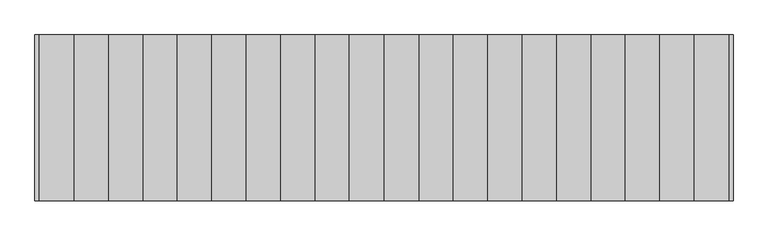
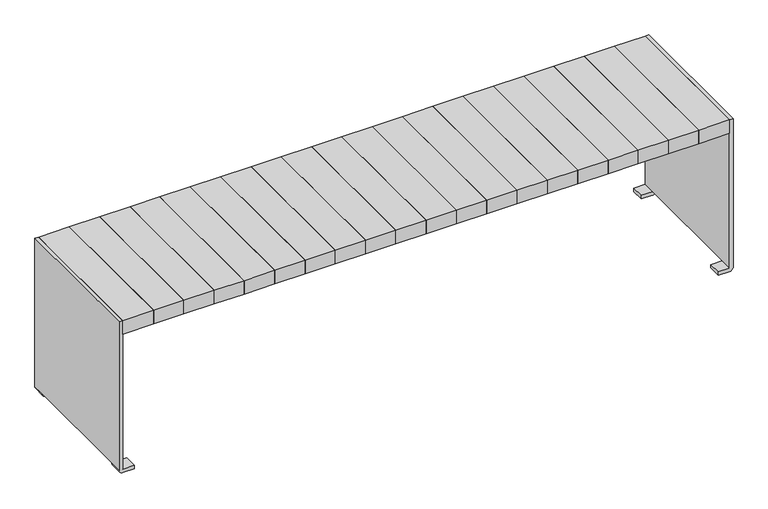
"""IFC4 building model written with IfcOpenShell, lengths in millimetres: furniture geometry."""

from ifc_helpers import new_model, si_unit, frame, origin, place, context, project, spatial, polyline, circle_curve, outline, extrude, source, transform, mapped, element, save
from ifc_brep_helpers import plane_surface, cylinder_surface, revolved_surface, advanced_brep


def furniture_10ba98e9(model_context):
    return source(origin(), model_context, "Body", "SolidModel", [
        advanced_brep(
        [(-438.9493478, 55.5135142, 364.1867082), (-438.9493478, 60.5135142, 364.1867082), (-473.9493478, 60.513034, 364.1867082), (-473.9493478, 55.5135142, 364.1867082), (438.9493478, 55.5135142, 364.1867082), (438.9493478, 60.5135142, 364.1867082), (473.9493478, 60.513034, 364.1867082), (473.9493478, 55.5135142, 364.1867082), (826.379425, 60.513034, 394.6382749), (826.379425, 61.513034, 395.6382749), (826.379425, 62.4997599, 395.6382749), (826.379425, 62.4997599, 400.6382749), (826.379425, 61.513034, 400.6382749), (826.379425, 55.513034, 394.6382749), (826.379425, 55.513034, 393.1147491), (826.379425, 60.513034, 393.1147491), (-826.379425, 55.513034, 394.6382749), (-826.379425, 61.513034, 400.6382749), (-826.379425, 62.4997599, 400.6382749), (-826.379425, 62.4997599, 395.6382749), (-826.379425, 61.513034, 395.6382749), (-826.379425, 60.513034, 394.6382749), (-826.379425, 60.513034, 393.1147491), (-826.379425, 55.513034, 393.1147491), (826.379425, 55.513034, 340.151549), (-826.379425, 55.513034, 340.151549), (-826.379425, 60.513034, 340.151549), (826.379425, 60.513034, 340.151549), (831.379425, 62.4997599, 400.6382749), (831.379425, 99.9997599, 400.6382749), (-831.379425, 99.9997599, 400.6382749), (-831.379425, 62.4997599, 400.6382749), (-826.379425, 99.9997599, 395.6382749), (826.379425, 99.9997599, 395.6382749), (-826.379425, 62.4997599, 393.1147491), (-826.379425, -55.513034, 393.1147491), (-826.379425, -55.513034, 340.151549), (-826.379425, -60.513034, 340.151549), (-826.379425, -60.513034, 393.1147491), (-826.379425, -62.4997599, 393.1147491), (-826.379425, -62.4997599, 395.6382749), (-826.379425, -99.9997599, 395.6382749), (-826.379425, -99.9997599, 347.7588499), (-826.379425, 100.0002401, 347.7588499), (-831.379425, 100.0002401, 347.7588499), (-831.379425, -99.9997599, 347.7588499), (-831.379425, -99.9997599, 400.6382749), (-831.379425, -62.4997599, 400.6382749), (-831.379425, -62.4997599, 393.1147491), (-831.379425, 62.4997599, 393.1147491), (831.379425, 100.0002401, 347.7588499), (826.379425, 100.0002401, 347.7588499), (826.379425, -99.9997599, 395.6382749), (826.379425, -99.9997599, 347.7588499), (831.379425, -99.9997599, 347.7588499), (831.379425, -99.9997599, 400.6382749), (-826.379425, -62.4997599, 400.6382749), (831.379425, -62.4997599, 400.6382749), (831.379425, -62.4997599, 393.1147491), (826.379425, -62.4997599, 393.1147491), (826.379425, -62.4997599, 395.6382749), (826.379425, -62.4997599, 400.6382749), (826.379425, -61.513034, 400.6382749), (-826.379425, -61.513034, 400.6382749), (-826.379425, -61.513034, 395.6382749), (826.379425, -61.513034, 395.6382749), (826.379425, -60.513034, 393.1147491), (826.379425, -60.513034, 340.151549), (826.379425, -55.513034, 340.151549), (826.379425, -55.513034, 393.1147491), (826.379425, 62.4997599, 393.1147491), (831.379425, 62.4997599, 393.1147491), (826.379425, -55.513034, 394.6382749), (826.379425, -60.513034, 394.6382749), (-826.379425, -60.513034, 394.6382749), (-826.379425, -55.513034, 394.6382749)],
        [
            (0, 1),
            (1, 2, circle_curve(frame((-456.4493478, 60.513034, 364.1867082), z_axis=(0.0, 1.0, 0.0), x_axis=(1.0, 0.0, 0.0)), 17.5)),
            (2, 3),
            (3, 0, circle_curve(frame((-456.4493478, 55.513034, 364.1867082), z_axis=(0.0, -1.0, 0.0), x_axis=(1.0, 0.0, 0.0)), 17.5)),
            (0, 3, circle_curve(frame((-456.4493478, 55.513034, 364.1867082), z_axis=(0.0, -1.0, 0.0), x_axis=(1.0, 0.0, 0.0)), 17.5)),
            (2, 1, circle_curve(frame((-456.4493478, 60.513034, 364.1867082), z_axis=(0.0, 1.0, 0.0), x_axis=(1.0, 0.0, 0.0)), 17.5)),
            (4, 5),
            (5, 6, circle_curve(frame((456.4493478, 60.513034, 364.1867082), z_axis=(0.0, 1.0, 0.0), x_axis=(-1.0, 0.0, 0.0)), 17.5)),
            (6, 7),
            (7, 4, circle_curve(frame((456.4493478, 55.513034, 364.1867082), z_axis=(0.0, -1.0, 0.0), x_axis=(-1.0, 0.0, 0.0)), 17.5)),
            (4, 7, circle_curve(frame((456.4493478, 55.513034, 364.1867082), z_axis=(0.0, -1.0, 0.0), x_axis=(-1.0, 0.0, 0.0)), 17.5)),
            (6, 5, circle_curve(frame((456.4493478, 60.513034, 364.1867082), z_axis=(0.0, 1.0, 0.0), x_axis=(-1.0, 0.0, 0.0)), 17.5)),
            (8, 9, circle_curve(frame((826.379425, 61.513034, 394.6382749), z_axis=(-1.0, 0.0, 0.0), x_axis=(0.0, 1.0, 0.0)), 1.0)),
            (9, 10),
            (10, 11),
            (11, 12),
            (12, 13, circle_curve(frame((826.379425, 61.513034, 394.6382749), z_axis=(1.0, 0.0, 0.0), x_axis=(0.0, 1.0, 0.0)), 6.0)),
            (13, 14),
            (14, 15),
            (15, 8),
            (16, 17, circle_curve(frame((-826.379425, 61.513034, 394.6382749), z_axis=(-1.0, 0.0, 0.0), x_axis=(0.0, 1.0, 0.0)), 6.0)),
            (17, 18),
            (18, 19),
            (19, 20),
            (20, 21, circle_curve(frame((-826.379425, 61.513034, 394.6382749), z_axis=(1.0, 0.0, 0.0), x_axis=(0.0, 1.0, 0.0)), 1.0)),
            (21, 22),
            (22, 23),
            (23, 16),
            (24, 25),
            (25, 26),
            (26, 27),
            (27, 24),
            (24, 14),
            (13, 16),
            (23, 25),
            (12, 17),
            (11, 28),
            (28, 29),
            (29, 30),
            (30, 31),
            (31, 18),
            (9, 20),
            (19, 32),
            (32, 33),
            (33, 10),
            (8, 21),
            (26, 22),
            (15, 27),
            (19, 34),
            (34, 22),
            (23, 35),
            (35, 36),
            (36, 37),
            (37, 38),
            (38, 39),
            (39, 40),
            (40, 41),
            (41, 42),
            (42, 43, circle_curve(frame((-826.379425, 0.0002401, 421.080061), z_axis=(1.0, 0.0, 0.0), x_axis=(0.0, -0.8064516129032312, -0.5913000896717141)), 124.0)),
            (43, 32),
            (44, 45, circle_curve(frame((-831.379425, 0.0002401, 421.080061), z_axis=(-1.0, 0.0, 0.0), x_axis=(0.0, -0.8064516129032312, -0.5913000896717141)), 124.0)),
            (45, 46),
            (46, 47),
            (47, 48),
            (48, 49),
            (49, 31),
            (30, 44),
            (43, 44),
            (29, 50),
            (50, 51),
            (51, 33),
            (34, 49),
            (48, 39),
            (38, 35),
            (45, 42),
            (41, 52),
            (52, 53),
            (53, 54),
            (54, 55),
            (55, 46),
            (47, 56),
            (56, 40),
            (57, 58),
            (58, 59),
            (59, 60),
            (60, 61),
            (61, 57),
            (55, 57),
            (61, 62),
            (62, 63),
            (63, 56),
            (40, 64),
            (64, 65),
            (65, 60),
            (60, 52),
            (59, 66),
            (66, 67),
            (67, 68),
            (68, 69),
            (69, 14),
            (15, 70),
            (70, 10),
            (51, 53, circle_curve(frame((826.379425, 0.0002401, 421.080061), z_axis=(-1.0, 0.0, 0.0), x_axis=(0.0, -0.8064516129032312, -0.5913000896717141)), 124.0)),
            (54, 50, circle_curve(frame((831.379425, 0.0002401, 421.080061), z_axis=(1.0, 0.0, 0.0), x_axis=(0.0, -0.8064516129032312, -0.5913000896717141)), 124.0)),
            (28, 71),
            (71, 58),
            (72, 62, circle_curve(frame((826.379425, -61.513034, 394.6382749), z_axis=(1.0, 0.0, 0.0), x_axis=(0.0, -1.0, 0.0)), 6.0)),
            (65, 73, circle_curve(frame((826.379425, -61.513034, 394.6382749), z_axis=(-1.0, 0.0, 0.0), x_axis=(0.0, -1.0, 0.0)), 1.0)),
            (73, 66),
            (66, 69),
            (69, 72),
            (74, 64, circle_curve(frame((-826.379425, -61.513034, 394.6382749), z_axis=(1.0, 0.0, 0.0), x_axis=(0.0, -1.0, 0.0)), 1.0)),
            (63, 75, circle_curve(frame((-826.379425, -61.513034, 394.6382749), z_axis=(-1.0, 0.0, 0.0), x_axis=(0.0, -1.0, 0.0)), 6.0)),
            (75, 35),
            (38, 74),
            (67, 37),
            (36, 68),
            (75, 72),
            (74, 73),
            (71, 70),
        ],
        [
            revolved_surface(polyline([(-438.9493478, 55.513034, 364.1867082), (-438.9493478, 60.5135142, 364.1867082)]), (-456.4493478, 60.5135142, 364.1867082), (0.0, -1.0, 0.0)),
            revolved_surface(polyline([(438.9493478, 55.513034, 364.1867082), (438.9493478, 60.5135142, 364.1867082)]), (456.4493478, 0.0, 364.1867082), (0.0, -1.0, 0.0)),
            plane_surface(frame((826.379425, 60.513034, 394.6382749), z_axis=(1.0, 0.0, 0.0), x_axis=(0.0, 0.0, 1.0))),
            plane_surface(frame((-826.379425, 60.513034, 394.6382749), z_axis=(-1.0, 0.0, 0.0), x_axis=(0.0, 0.0, -1.0))),
            plane_surface(frame((826.379425, 55.513034, 340.151549), z_axis=(0.0, 0.0, -1.0), x_axis=(-1.0, 0.0, 0.0))),
            plane_surface(frame((826.379425, 55.513034, 394.6382749), z_axis=(0.0, -1.0, 0.0), x_axis=(-1.0, 0.0, 0.0))),
            cylinder_surface(frame((-826.379425, 61.513034, 394.6382749), z_axis=(1.0, 0.0, 0.0), x_axis=(0.0, 1.0, 0.0)), 6.0),
            plane_surface(frame((826.379425, 62.4997599, 400.6382749), z_axis=(0.0, 0.0, 1.0), x_axis=(-1.0, 0.0, 0.0))),
            plane_surface(frame((826.379425, 61.513034, 395.6382749), z_axis=(0.0, 0.0, -1.0), x_axis=(-1.0, 0.0, 0.0))),
            revolved_surface(polyline([(-826.379425, 62.513034, 394.6382749), (826.379425, 62.513034, 394.6382749)]), (-826.379425, 61.513034, 394.6382749), (-1.0, 0.0, 0.0)),
            plane_surface(frame((826.379425, 60.513034, 340.151549), z_axis=(0.0, 1.0, 0.0), x_axis=(-1.0, 0.0, 0.0))),
            plane_surface(frame((-826.379425, 100.0002401, 347.7588499), z_axis=(1.0, 0.0, 0.0), x_axis=(0.0, 0.0, 1.0))),
            plane_surface(frame((-831.379425, 100.0002401, 347.7588499), z_axis=(-1.0, 0.0, 0.0), x_axis=(0.0, 0.0, -1.0))),
            plane_surface(frame((-826.379425, 100.0002401, 347.7588499), z_axis=(0.0, 1.0, 0.0), x_axis=(-1.0, 0.0, 0.0))),
            plane_surface(frame((-826.379425, 100.0002401, 393.1147491), z_axis=(0.0, 0.0, 1.0), x_axis=(-1.0, 0.0, 0.0))),
            plane_surface(frame((-826.379425, -99.9997599, 393.1147491), z_axis=(0.0, -1.0, 0.0), x_axis=(-1.0, 0.0, 0.0))),
            cylinder_surface(frame((-831.379425, 0.0002401, 421.080061), z_axis=(1.0000000000000002, 0.0, 0.0), x_axis=(0.0, -0.8064516129032312, -0.5913000896717141)), 124.0),
            plane_surface(frame((826.379425, -62.4997599, 393.1147491), z_axis=(0.0, 1.0, 0.0), x_axis=(0.0, 0.0, 1.0))),
            plane_surface(frame((831.379425, -99.9997599, 400.6382749), z_axis=(0.0, 0.0, 1.0), x_axis=(0.0, 1.0, 0.0))),
            plane_surface(frame((-826.379425, -99.9997599, 395.6382749), z_axis=(0.0, 0.0, -1.0), x_axis=(0.0, 1.0, 0.0))),
            plane_surface(frame((826.379425, -99.9997599, 395.6382749), z_axis=(-1.0, 0.0, 0.0), x_axis=(0.0, 1.0, 0.0))),
            plane_surface(frame((831.379425, -99.9997599, 393.1147491), z_axis=(1.0, 0.0, 0.0), x_axis=(0.0, 1.0, 0.0))),
            plane_surface(frame((826.379425, -60.513034, 340.151549), z_axis=(1.0, 0.0, 0.0), x_axis=(0.0, 1.0, 0.0))),
            plane_surface(frame((-826.379425, -60.513034, 340.151549), z_axis=(-1.0, 0.0, 0.0), x_axis=(0.0, -1.0, 0.0))),
            plane_surface(frame((826.379425, -60.513034, 340.151549), z_axis=(0.0, 0.0, -1.0), x_axis=(-1.0, 0.0, 0.0))),
            plane_surface(frame((826.379425, -55.513034, 340.151549), z_axis=(0.0, 1.0, 0.0), x_axis=(-1.0, 0.0, 0.0))),
            cylinder_surface(frame((-826.379425, -61.513034, 394.6382749), z_axis=(1.0, 0.0, 0.0), x_axis=(0.0, -1.0, 0.0)), 6.0),
            revolved_surface(polyline([(-826.379425, -62.513034, 394.6382749), (826.379425, -62.513034, 394.6382749)]), (-826.379425, -61.513034, 394.6382749), (-1.0, 0.0, 0.0)),
            plane_surface(frame((826.379425, -60.513034, 394.6382749), z_axis=(0.0, -1.0, 0.0), x_axis=(-1.0, 0.0, 0.0))),
            plane_surface(frame((826.379425, -99.9997599, 393.1147491), z_axis=(0.0, 0.0, 1.0), x_axis=(1.0, 0.0, 0.0))),
            cylinder_surface(frame((831.379425, 0.0002401, 421.080061), z_axis=(-1.0000000000000002, 0.0, 0.0), x_axis=(0.0, -0.8064516129032312, -0.5913000896717141)), 124.0),
            plane_surface(frame((-825.879425, 62.4997599, 395.6382749), z_axis=(0.0, -1.0, 0.0), x_axis=(1.0, 0.0, 0.0))),
        ],
        [
            (0, [[1, 2, 3, 4]]),
            (0, [[-1, 5, -3, 6]]),
            (1, [[7, 8, 9, 10]]),
            (1, [[-7, 11, -9, 12]]),
            (2, [[13, 14, 15, 16, 17, 18, 19, 20]]),
            (3, [[21, 22, 23, 24, 25, 26, 27, 28]]),
            (4, [[29, 30, 31, 32]]),
            (5, [[-29, 33, -18, 34, -28, 35], [-4, -5], [-10, -11]]),
            (6, [[-17, 36, -21, -34]]),
            (7, [[-16, 37, 38, 39, 40, 41, -22, -36]]),
            (8, [[-14, 42, -24, 43, 44, 45]]),
            (9, [[-13, 46, -25, -42]]),
            (10, [[-31, 47, -26, -46, -20, 48], [-2, -6], [-8, -12]]),
            (11, [[-43, 49, 50, -47, -30, -35, 51, 52, 53, 54, 55, 56, 57, 58, 59, 60]]),
            (12, [[61, 62, 63, 64, 65, 66, -40, 67]]),
            (13, [[-60, 68, -67, -39, 69, 70, 71, -44]]),
            (14, [[-27, -50, 72, -65, 73, -55, 74, -51]]),
            (15, [[75, -58, 76, 77, 78, 79, 80, -62]]),
            (16, [[-59, -75, -61, -68]]),
            (17, [[-56, -73, -64, 81, 82]]),
            (17, [[83, 84, 85, 86, 87]]),
            (18, [[-80, 88, -87, 89, 90, 91, -81, -63]]),
            (19, [[-76, -57, 92, 93, 94, 95]]),
            (20, [[-85, 96, 97, 98, 99, 100, -33, -32, -48, 101, 102, -45, -71, 103, -77, -95]]),
            (21, [[-83, -88, -79, 104, -69, -38, 105, 106]]),
            (22, [[107, -89, -86, -94, 108, 109, 110, 111]]),
            (23, [[112, -92, -82, -91, 113, 114, -74, 115]]),
            (24, [[116, -53, 117, -98]]),
            (25, [[-117, -52, -114, 118, -111, -99]]),
            (26, [[-107, -118, -113, -90]]),
            (27, [[-108, -93, -112, 119]]),
            (28, [[-116, -97, -109, -119, -115, -54]]),
            (29, [[-100, -110, -96, -84, -106, 120, -101, -19]]),
            (30, [[-103, -70, -104, -78]]),
            (31, [[-66, -72, -49, -23, -41]]),
            (31, [[-102, -120, -105, -37, -15]]),
        ],
    ),
        extrude(outline(polyline([(83.1700951, -200.0), (0.0, -200.0), (0.0, 200.0), (83.1700951, 200.0), (83.1700951, -200.0)])), frame((0.0, 0.0, 400.6382749), z_axis=(0.0, 0.0, 1.0), x_axis=(1.0, 0.0, 0.0)), (0.0, 0.0, 1.0), 39.120575),
        extrude(outline(polyline([(165.5884938, -200.0), (83.1700951, -200.0), (83.1700951, 200.0), (165.5884938, 200.0), (165.5884938, -200.0)])), frame((0.0, 0.0, 400.6382749), z_axis=(0.0, 0.0, 1.0), x_axis=(1.0, 0.0, 0.0)), (0.0, 0.0, 1.0), 39.120575),
        extrude(outline(polyline([(249.0266735, -200.0), (165.5884938, -200.0), (165.5884938, 200.0), (249.0266735, 200.0), (249.0266735, -200.0)])), frame((0.0, 0.0, 400.6382749), z_axis=(0.0, 0.0, 1.0), x_axis=(1.0, 0.0, 0.0)), (0.0, 0.0, 1.0), 39.120575),
        extrude(outline(polyline([(331.8102592, -200.0), (249.0266735, -200.0), (249.0266735, 200.0), (331.8102592, 200.0), (331.8102592, -200.0)])), frame((0.0, 0.0, 400.6382749), z_axis=(0.0, 0.0, 1.0), x_axis=(1.0, 0.0, 0.0)), (0.0, 0.0, 1.0), 39.120575),
        extrude(outline(polyline([(415.2051572, -200.0), (331.8102592, -200.0), (331.8102592, 200.0), (415.2051572, 200.0), (415.2051572, -200.0)])), frame((0.0, 0.0, 400.6382749), z_axis=(0.0, 0.0, 1.0), x_axis=(1.0, 0.0, 0.0)), (0.0, 0.0, 1.0), 39.120575),
        extrude(outline(polyline([(498.7851293, -200.0), (415.2051572, -200.0), (415.2051572, 200.0), (498.7851293, 200.0), (498.7851293, -200.0)])), frame((0.0, 0.0, 400.6382749), z_axis=(0.0, 0.0, 1.0), x_axis=(1.0, 0.0, 0.0)), (0.0, 0.0, 1.0), 39.120575),
        extrude(outline(polyline([(580.2051572, -200.0), (498.7851293, -200.0), (498.7851293, 200.0), (580.2051572, 200.0), (580.2051572, -200.0)])), frame((0.0, 0.0, 400.6382749), z_axis=(0.0, 0.0, 1.0), x_axis=(1.0, 0.0, 0.0)), (0.0, 0.0, 1.0), 39.120575),
        extrude(outline(polyline([(663.7851293, -200.0), (580.2051572, -200.0), (580.2051572, 200.0), (663.7851293, 200.0), (663.7851293, -200.0)])), frame((0.0, 0.0, 400.6382749), z_axis=(0.0, 0.0, 1.0), x_axis=(1.0, 0.0, 0.0)), (0.0, 0.0, 1.0), 39.120575),
        extrude(outline(polyline([(746.8041619, -200.0), (663.7851293, -200.0), (663.7851293, 200.0), (746.8041619, 200.0), (746.8041619, -200.0)])), frame((0.0, 0.0, 400.6382749), z_axis=(0.0, 0.0, 1.0), x_axis=(1.0, 0.0, 0.0)), (0.0, 0.0, 1.0), 39.120575),
        extrude(outline(polyline([(831.379425, -200.0), (746.8041619, -200.0), (746.8041619, 200.0), (831.379425, 200.0), (831.379425, -200.0)])), frame((0.0, 0.0, 400.6382749), z_axis=(0.0, 0.0, 1.0), x_axis=(1.0, 0.0, 0.0)), (0.0, 0.0, 1.0), 39.120575),
        extrude(outline(polyline([(0.0, -200.0), (-83.1700951, -200.0), (-83.1700951, 200.0), (0.0, 200.0), (0.0, -200.0)])), frame((0.0, 0.0, 400.6382749), z_axis=(0.0, 0.0, 1.0), x_axis=(1.0, 0.0, 0.0)), (0.0, 0.0, 1.0), 39.120575),
        extrude(outline(polyline([(-83.1700951, -200.0), (-165.5884938, -200.0), (-165.5884938, 200.0), (-83.1700951, 200.0), (-83.1700951, -200.0)])), frame((0.0, 0.0, 400.6382749), z_axis=(0.0, 0.0, 1.0), x_axis=(1.0, 0.0, 0.0)), (0.0, 0.0, 1.0), 39.120575),
        extrude(outline(polyline([(-165.5884938, -200.0), (-249.0266735, -200.0), (-249.0266735, 200.0), (-165.5884938, 200.0), (-165.5884938, -200.0)])), frame((0.0, 0.0, 400.6382749), z_axis=(0.0, 0.0, 1.0), x_axis=(1.0, 0.0, 0.0)), (0.0, 0.0, 1.0), 39.120575),
        extrude(outline(polyline([(-249.0266735, -200.0), (-331.8102592, -200.0), (-331.8102592, 200.0), (-249.0266735, 200.0), (-249.0266735, -200.0)])), frame((0.0, 0.0, 400.6382749), z_axis=(0.0, 0.0, 1.0), x_axis=(1.0, 0.0, 0.0)), (0.0, 0.0, 1.0), 39.120575),
        extrude(outline(polyline([(-331.8102592, -200.0), (-415.2051572, -200.0), (-415.2051572, 200.0), (-331.8102592, 200.0), (-331.8102592, -200.0)])), frame((0.0, 0.0, 400.6382749), z_axis=(0.0, 0.0, 1.0), x_axis=(1.0, 0.0, 0.0)), (0.0, 0.0, 1.0), 39.120575),
        extrude(outline(polyline([(-415.2051572, -200.0), (-498.7851293, -200.0), (-498.7851293, 200.0), (-415.2051572, 200.0), (-415.2051572, -200.0)])), frame((0.0, 0.0, 400.6382749), z_axis=(0.0, 0.0, 1.0), x_axis=(1.0, 0.0, 0.0)), (0.0, 0.0, 1.0), 39.120575),
        extrude(outline(polyline([(-498.7851293, -200.0), (-580.2051572, -200.0), (-580.2051572, 200.0), (-498.7851293, 200.0), (-498.7851293, -200.0)])), frame((0.0, 0.0, 400.6382749), z_axis=(0.0, 0.0, 1.0), x_axis=(1.0, 0.0, 0.0)), (0.0, 0.0, 1.0), 39.120575),
        extrude(outline(polyline([(-580.2051572, -200.0), (-663.7851293, -200.0), (-663.7851293, 200.0), (-580.2051572, 200.0), (-580.2051572, -200.0)])), frame((0.0, 0.0, 400.6382749), z_axis=(0.0, 0.0, 1.0), x_axis=(1.0, 0.0, 0.0)), (0.0, 0.0, 1.0), 39.120575),
        extrude(outline(polyline([(-663.7851293, -200.0), (-746.8041619, -200.0), (-746.8041619, 200.0), (-663.7851293, 200.0), (-663.7851293, -200.0)])), frame((0.0, 0.0, 400.6382749), z_axis=(0.0, 0.0, 1.0), x_axis=(1.0, 0.0, 0.0)), (0.0, 0.0, 1.0), 39.120575),
        extrude(outline(polyline([(-746.8041619, -200.0), (-831.379425, -200.0), (-831.379425, 200.0), (-746.8041619, 200.0), (-746.8041619, -200.0)])), frame((0.0, 0.0, 400.6382749), z_axis=(0.0, 0.0, 1.0), x_axis=(1.0, 0.0, 0.0)), (0.0, 0.0, 1.0), 39.120575),
        advanced_brep(
        [(831.379425, -200.0, 10.0), (831.379425, -200.0, 439.7588499), (831.379425, 200.0, 439.7588499), (831.379425, 200.0, 10.0), (831.379425, 164.9997913, 10.0), (831.379425, -164.9997913, 10.0), (841.379425, 200.0, 10.0), (841.379425, 200.0, 439.7588499), (841.379425, -200.0, 439.7588499), (841.379425, -200.0, 10.0), (841.379425, -164.9997913, 10.0), (841.379425, 164.9997913, 10.0), (830.379425, 200.0, 0.0), (800.620575, 200.0, 0.0), (800.620575, 200.0, 10.0), (800.620575, -200.0, 10.0), (800.620575, -200.0, 0.0), (830.379425, -200.0, 0.0), (800.620575, 164.9997913, 10.0), (800.620575, 164.9997913, 0.0), (830.379425, 164.9997913, 0.0), (830.379425, -164.9997913, 0.0), (800.620575, -164.9997913, 0.0), (800.620575, -164.9997913, 10.0)],
        [
            (0, 1),
            (1, 2),
            (2, 3),
            (3, 4),
            (4, 5),
            (5, 0),
            (6, 7),
            (7, 8),
            (8, 9),
            (9, 10),
            (10, 11),
            (11, 6),
            (2, 7),
            (6, 12, circle_curve(frame((831.3339704, 200.0, 10.0), z_axis=(0.0, 1.0, 0.0), x_axis=(1.0, 0.0, 0.0)), 10.0454545)),
            (12, 13),
            (13, 14),
            (14, 3),
            (1, 8),
            (0, 15),
            (15, 16),
            (16, 17),
            (17, 9, circle_curve(frame((831.3339704, -200.0, 10.0), z_axis=(0.0, -1.0, 0.0), x_axis=(1.0, 0.0, 0.0)), 10.0454545)),
            (4, 11),
            (10, 5),
            (4, 18),
            (18, 19),
            (19, 20),
            (20, 11, circle_curve(frame((831.3339704, 164.9997913, 10.0), z_axis=(0.0, -1.0, 0.0), x_axis=(1.0, 0.0, 0.0)), 10.0454545)),
            (14, 18),
            (13, 19),
            (12, 20),
            (10, 21, circle_curve(frame((831.3339704, -164.9997913, 10.0), z_axis=(0.0, 1.0, 0.0), x_axis=(1.0, 0.0, 0.0)), 10.0454545)),
            (21, 22),
            (22, 23),
            (23, 5),
            (23, 15),
            (22, 16),
            (21, 17),
        ],
        [
            plane_surface(frame((831.379425, 200.0, 10.0), z_axis=(-1.0, 0.0, 0.0), x_axis=(0.0, -1.0, 0.0))),
            plane_surface(frame((841.379425, 200.0, 10.0), z_axis=(1.0, 0.0, 0.0), x_axis=(0.0, 1.0, 0.0))),
            plane_surface(frame((831.379425, 200.0, 439.7588499), z_axis=(0.0, 1.0, 0.0), x_axis=(1.0, 0.0, 0.0))),
            plane_surface(frame((831.379425, -200.0, 439.7588499), z_axis=(0.0, 0.0, 1.0), x_axis=(1.0, 0.0, 0.0))),
            plane_surface(frame((831.379425, -200.0, 10.0), z_axis=(0.0, -1.0, 0.0), x_axis=(1.0, 0.0, 0.0))),
            plane_surface(frame((831.379425, 200.0, 10.0), z_axis=(0.0, 0.0, -1.0), x_axis=(1.0, 0.0, 0.0))),
            plane_surface(frame((831.379425, 164.9997913, 10.0), z_axis=(0.0, -1.0, 0.0), x_axis=(-1.0, 0.0, 0.0))),
            plane_surface(frame((800.620575, 199.9997913, 10.0), z_axis=(0.0, 0.0, 1.0), x_axis=(0.0, -1.0, 0.0))),
            plane_surface(frame((800.620575, 199.9997913, 0.0), z_axis=(-1.0, 0.0, 0.0), x_axis=(0.0, -1.0, 0.0))),
            plane_surface(frame((830.379425, 199.9997913, 0.0), z_axis=(0.0, 0.0, -1.0), x_axis=(0.0, -1.0, 0.0))),
            cylinder_surface(frame((831.3339704, 164.9997913, 10.0), z_axis=(0.0, 1.0, 0.0), x_axis=(1.0, 0.0, 0.0)), 10.0454545),
            plane_surface(frame((800.620575, -164.9997913, 10.0), z_axis=(0.0, 1.0, 0.0), x_axis=(1.0, 0.0, 0.0))),
            plane_surface(frame((831.379425, -199.9997913, 10.0), z_axis=(0.0, 0.0, 1.0), x_axis=(0.0, 1.0, 0.0))),
            plane_surface(frame((800.620575, -199.9997913, 10.0), z_axis=(-1.0, 0.0, 0.0), x_axis=(0.0, 1.0, 0.0))),
            plane_surface(frame((800.620575, -199.9997913, 0.0), z_axis=(0.0, 0.0, -1.0), x_axis=(0.0, 1.0, 0.0))),
            cylinder_surface(frame((831.3339704, -164.9997913, 10.0), z_axis=(0.0, -1.0, 0.0), x_axis=(1.0, 0.0, 0.0)), 10.0454545),
        ],
        [
            (0, [[1, 2, 3, 4, 5, 6]]),
            (1, [[7, 8, 9, 10, 11, 12]]),
            (2, [[-3, 13, -7, 14, 15, 16, 17]]),
            (3, [[-2, 18, -8, -13]]),
            (4, [[-1, 19, 20, 21, 22, -9, -18]]),
            (5, [[23, -11, 24, -5]]),
            (6, [[25, 26, 27, 28, -23]]),
            (7, [[-17, 29, -25, -4]]),
            (8, [[-16, 30, -26, -29]]),
            (9, [[-15, 31, -27, -30]]),
            (10, [[-14, -12, -28, -31]]),
            (11, [[32, 33, 34, 35, -24]]),
            (12, [[-19, -6, -35, 36]]),
            (13, [[-20, -36, -34, 37]]),
            (14, [[-21, -37, -33, 38]]),
            (15, [[-22, -38, -32, -10]]),
        ],
    ),
        advanced_brep(
        [(-831.379425, 200.0, 10.0), (-831.379425, 200.0, 439.7588499), (-831.379425, -200.0, 439.7588499), (-831.379425, -200.0, 10.0), (-831.379425, -164.9997913, 10.0), (-831.379425, 164.9997913, 10.0), (-841.379425, -200.0, 10.0), (-841.379425, -200.0, 439.7588499), (-841.379425, 200.0, 439.7588499), (-841.379425, 200.0, 10.0), (-841.379425, 164.9997913, 10.0), (-841.379425, -164.9997913, 10.0), (-800.620575, 200.0, 10.0), (-800.620575, 200.0, 0.0), (-830.379425, 200.0, 0.0), (-830.379425, -200.0, 0.0), (-800.620575, -200.0, 0.0), (-800.620575, -200.0, 10.0), (-830.379425, 164.9997913, 0.0), (-800.620575, 164.9997913, 0.0), (-800.620575, 164.9997913, 10.0), (-800.620575, -164.9997913, 10.0), (-800.620575, -164.9997913, 0.0), (-830.379425, -164.9997913, 0.0)],
        [
            (0, 1),
            (1, 2),
            (2, 3),
            (3, 4),
            (4, 5),
            (5, 0),
            (6, 7),
            (7, 8),
            (8, 9),
            (9, 10),
            (10, 11),
            (11, 6),
            (0, 12),
            (12, 13),
            (13, 14),
            (14, 9, circle_curve(frame((-831.3339704, 200.0, 10.0), z_axis=(0.0, 1.0, 0.0), x_axis=(-1.0, 0.0, 0.0)), 10.0454545)),
            (8, 1),
            (7, 2),
            (6, 15, circle_curve(frame((-831.3339704, -200.0, 10.0), z_axis=(0.0, -1.0, 0.0), x_axis=(-1.0, 0.0, 0.0)), 10.0454545)),
            (15, 16),
            (16, 17),
            (17, 3),
            (10, 5),
            (4, 11),
            (10, 18, circle_curve(frame((-831.3339704, 164.9997913, 10.0), z_axis=(0.0, -1.0, 0.0), x_axis=(-1.0, 0.0, 0.0)), 10.0454545)),
            (18, 19),
            (19, 20),
            (20, 5),
            (20, 12),
            (19, 13),
            (18, 14),
            (4, 21),
            (21, 22),
            (22, 23),
            (23, 11, circle_curve(frame((-831.3339704, -164.9997913, 10.0), z_axis=(0.0, 1.0, 0.0), x_axis=(-1.0, 0.0, 0.0)), 10.0454545)),
            (17, 21),
            (16, 22),
            (15, 23),
        ],
        [
            plane_surface(frame((-831.379425, 200.0, 11.0), z_axis=(1.0, 0.0, 0.0), x_axis=(0.0, 0.0, 1.0))),
            plane_surface(frame((-841.379425, 200.0, 11.0), z_axis=(-1.0, 0.0, 0.0), x_axis=(0.0, 0.0, -1.0))),
            plane_surface(frame((-831.379425, 200.0, 10.0), z_axis=(0.0, 1.0, 0.0), x_axis=(-1.0, 0.0, 0.0))),
            plane_surface(frame((-831.379425, 200.0, 439.7588499), z_axis=(0.0, 0.0, 1.0), x_axis=(-1.0, 0.0, 0.0))),
            plane_surface(frame((-831.379425, -200.0, 439.7588499), z_axis=(0.0, -1.0, 0.0), x_axis=(-1.0, 0.0, 0.0))),
            plane_surface(frame((-831.379425, -200.0, 10.0), z_axis=(0.0, 0.0, -1.0), x_axis=(-1.0, 0.0, 0.0))),
            plane_surface(frame((-800.620575, 164.9997913, 10.0), z_axis=(0.0, -1.0, 0.0), x_axis=(-1.0, 0.0, 0.0))),
            plane_surface(frame((-831.379425, 199.9997913, 10.0), z_axis=(0.0, 0.0, 1.0), x_axis=(0.0, -1.0, 0.0))),
            plane_surface(frame((-800.620575, 199.9997913, 10.0), z_axis=(1.0, 0.0, 0.0), x_axis=(0.0, -1.0, 0.0))),
            plane_surface(frame((-800.620575, 199.9997913, 0.0), z_axis=(0.0, 0.0, -1.0), x_axis=(0.0, -1.0, 0.0))),
            cylinder_surface(frame((-831.3339704, 164.9997913, 10.0), z_axis=(0.0, 1.0, 0.0), x_axis=(-1.0, 0.0, 0.0)), 10.0454545),
            plane_surface(frame((-831.379425, -164.9997913, 10.0), z_axis=(0.0, 1.0, 0.0), x_axis=(1.0, 0.0, 0.0))),
            plane_surface(frame((-800.620575, -199.9997913, 10.0), z_axis=(0.0, 0.0, 1.0), x_axis=(0.0, 1.0, 0.0))),
            plane_surface(frame((-800.620575, -199.9997913, 0.0), z_axis=(1.0, 0.0, 0.0), x_axis=(0.0, 1.0, 0.0))),
            plane_surface(frame((-830.379425, -199.9997913, 0.0), z_axis=(0.0, 0.0, -1.0), x_axis=(0.0, 1.0, 0.0))),
            cylinder_surface(frame((-831.3339704, -164.9997913, 10.0), z_axis=(0.0, -1.0, 0.0), x_axis=(-1.0, 0.0, 0.0)), 10.0454545),
        ],
        [
            (0, [[1, 2, 3, 4, 5, 6]]),
            (1, [[7, 8, 9, 10, 11, 12]]),
            (2, [[-1, 13, 14, 15, 16, -9, 17]]),
            (3, [[-2, -17, -8, 18]]),
            (4, [[-3, -18, -7, 19, 20, 21, 22]]),
            (5, [[23, -5, 24, -11]]),
            (6, [[25, 26, 27, 28, -23]]),
            (7, [[-13, -6, -28, 29]]),
            (8, [[-14, -29, -27, 30]]),
            (9, [[-15, -30, -26, 31]]),
            (10, [[-16, -31, -25, -10]]),
            (11, [[32, 33, 34, 35, -24]]),
            (12, [[-22, 36, -32, -4]]),
            (13, [[-21, 37, -33, -36]]),
            (14, [[-20, 38, -34, -37]]),
            (15, [[-19, -12, -35, -38]]),
        ],
    ),
    ])


if __name__ == "__main__":
    model = new_model("IFC4")
    model_context = context("Model", 3, world=origin())
    ifc_project = project(units=[si_unit("LENGTHUNIT", "METRE", prefix="MILLI")], contexts=[model_context])
    site = spatial("IfcSite", under=ifc_project)
    building = spatial("IfcBuilding", under=site)
    placement = place(None, origin())
    furniture_shape = furniture_10ba98e9(model_context)
    element("IfcFurniture", 1, at=placement, inside=building, context=model_context, shape_type="MappedRepresentation", body=[
        mapped(furniture_shape, transform((0.0, 0.0, 0.0), x_axis=(1.0, 0.0, 0.0), y_axis=(0.0, 1.0, 0.0), z_axis=(0.0, 0.0, 1.0))),
    ])
    save(model, "model.ifc")
